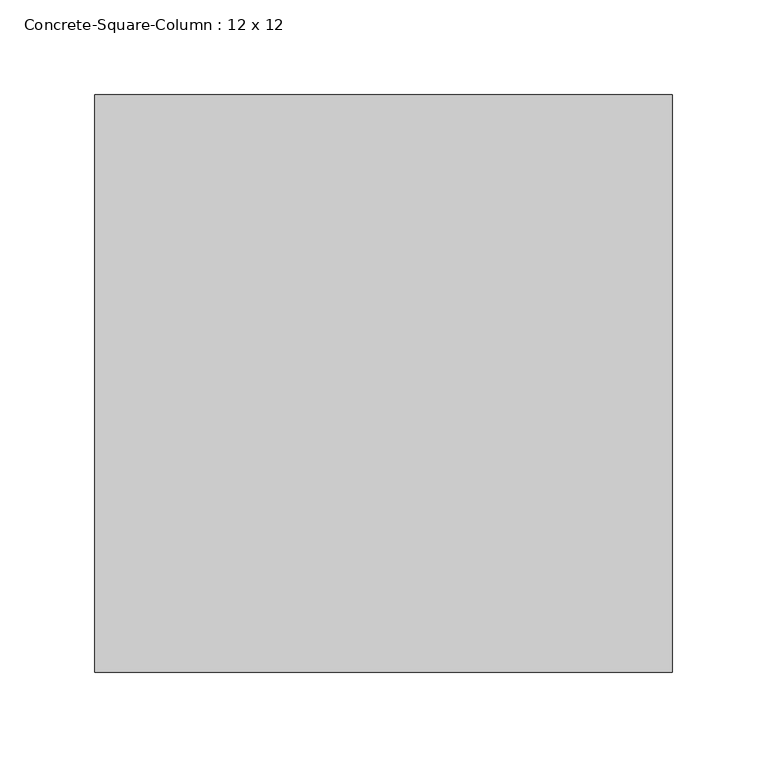
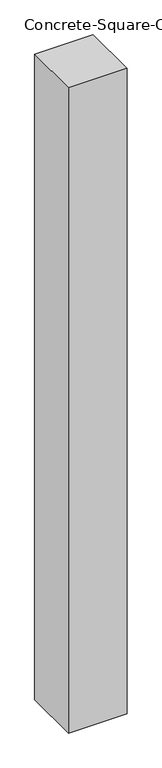
"""IFC4 building model written with IfcOpenShell, lengths in millimetres: column geometry, Concrete-Square-Column : 12 x 12."""

from ifc_helpers import new_model, si_unit, frame, origin, place, context, project, spatial, polyline, outline, extrude, source, transform, mapped, element, save


def concrete_square_column_12_x_12_1e689fc5(model_context):
    return source(origin(), model_context, "Body", "SweptSolid", [
        extrude(outline(polyline([(152.4, -152.4), (-152.4, -152.4), (-152.4, 152.4), (152.4, 152.4), (152.4, -152.4)])), frame((0.0, 0.0, -3632.2), z_axis=(0.0, 0.0, 1.0), x_axis=(1.0, 0.0, 0.0)), (0.0, 0.0, 1.0), 3556.0),
    ])


if __name__ == "__main__":
    model = new_model("IFC4")
    model_context = context("Model", 3, world=origin())
    ifc_project = project(units=[si_unit("LENGTHUNIT", "METRE", prefix="MILLI")], contexts=[model_context])
    site = spatial("IfcSite", under=ifc_project)
    building = spatial("IfcBuilding", under=site)
    placement = place(None, origin())
    concrete_square_column_12_x_12_shape = concrete_square_column_12_x_12_1e689fc5(model_context)
    element("IfcColumn", 1, ObjectType="Concrete-Square-Column : 12 x 12", at=placement, inside=building, context=model_context, shape_type="MappedRepresentation", body=[
        mapped(concrete_square_column_12_x_12_shape, transform((0.0, 0.0, 0.0), x_axis=(1.0, 0.0, 0.0), y_axis=(0.0, 1.0, 0.0), z_axis=(0.0, 0.0, 1.0))),
    ])
    save(model, "model.ifc")
